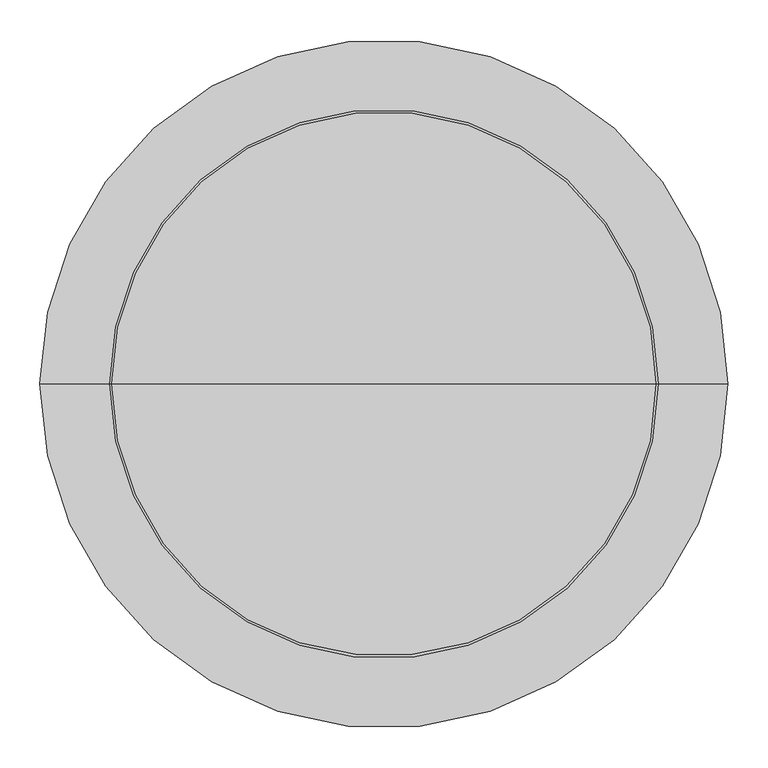
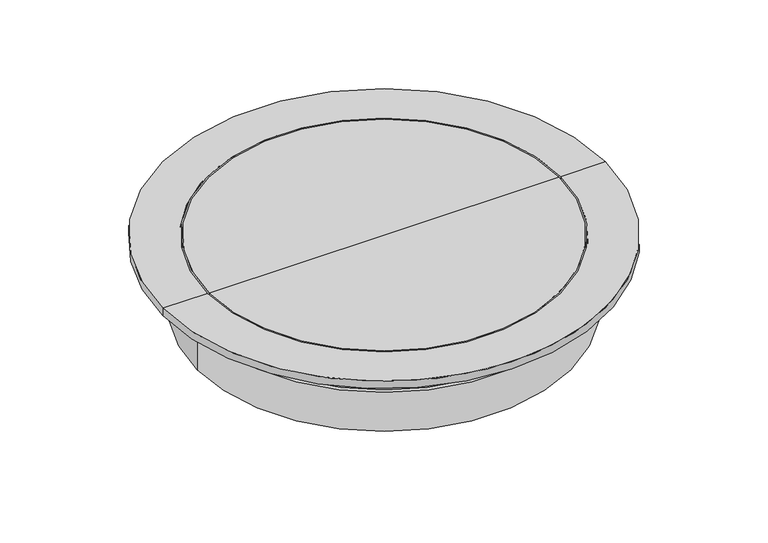
"""IFC4 building model written with IfcOpenShell, lengths in millimetres: sanitary terminal geometry."""

import ifcopenshell
import ifcopenshell.guid

model = None  # the IFC model being written
_history = None  # IfcOwnerHistory: only IFC2X3 demands one
_inside = {}  # id of a spatial element -> (the spatial element, [elements in it])
_under = {}  # id of a project, library or spatial element -> (it, [spatial elements below it])
_declared = {}  # id of a project -> (the project, [libraries it declares])
_typed = {}  # id of a type object -> (the type object, [elements of that type])
_made_of = {}  # id of a material, layer set ... -> (it, [elements and type objects made of it])


def new_model(schema):
    """Start an empty IFC model of exactly this schema.

    Asked for "IFC4X3", IfcOpenShell would pick the latest addendum, in which some entities
    have other attributes; the version numbers below select the first issue.
    IFC2X3 requires an IfcOwnerHistory on every rooted entity: one is made here for all.
    """
    global model, _history
    if schema == "IFC4X3":
        model = ifcopenshell.file(schema_version=(4, 3, 0, 0))
    else:
        model = ifcopenshell.file(schema=schema)
    _inside.clear()
    _under.clear()
    _declared.clear()
    _typed.clear()
    _made_of.clear()
    _history = None
    if model.schema == "IFC2X3":
        org = make("IfcOrganization", Name="unknown")
        user = make(
            "IfcPersonAndOrganization",
            ThePerson=make("IfcPerson", FamilyName="unknown"),
            TheOrganization=org,
        )
        app = make(
            "IfcApplication",
            ApplicationDeveloper=org,
            Version="unknown",
            ApplicationFullName="unknown",
            ApplicationIdentifier="unknown",
        )
        _history = make(
            "IfcOwnerHistory",
            OwningUser=user,
            OwningApplication=app,
            ChangeAction="ADDED",
            CreationDate=0,
        )
    return model


def make(cls, **values):
    """One entity of the class cls with the attributes given. An attribute that is None is left unset."""
    return model.create_entity(
        cls, **{name: value for name, value in values.items() if value is not None}
    )


def rooted(cls, **values):
    """An entity with a GlobalId (a new one), such as an element, a storey or a relation."""
    return make(cls, GlobalId=ifcopenshell.guid.new(), OwnerHistory=_history, **values)


def si_unit(unit_type, name, prefix=None):
    """IfcSIUnit, for example si_unit("LENGTHUNIT", "METRE", prefix="MILLI")."""
    return make("IfcSIUnit", UnitType=unit_type, Prefix=prefix, Name=name)


def assignment(units):
    """IfcUnitAssignment: the units of a project."""
    return None if units is None else make("IfcUnitAssignment", Units=units)


def point(xyz):
    """IfcCartesianPoint."""
    return None if xyz is None else make("IfcCartesianPoint", Coordinates=xyz)


def direction(xyz):
    """IfcDirection."""
    return None if xyz is None else make("IfcDirection", DirectionRatios=xyz)


def frame(location, z_axis=None, x_axis=None):
    """IfcAxis2Placement3D, a coordinate frame: its origin and axes. An axis left out is left unset."""
    return make(
        "IfcAxis2Placement3D",
        Location=point(location),
        Axis=direction(z_axis),
        RefDirection=direction(x_axis),
    )


def origin():
    """The frame at (0, 0, 0) with its axes left unset."""
    return frame((0.0, 0.0, 0.0))


def origin_with_axes():
    """The frame at (0, 0, 0) with the z axis (0, 0, 1) and the x axis (1, 0, 0) written out."""
    return frame((0.0, 0.0, 0.0), z_axis=(0.0, 0.0, 1.0), x_axis=(1.0, 0.0, 0.0))


def place(relative_to, where):
    """IfcLocalPlacement: puts the frame where relative to a parent placement (None: the world)."""
    return make(
        "IfcLocalPlacement", PlacementRelTo=relative_to, RelativePlacement=where
    )


def context(
    kind, dimensions, precision=None, world=None, true_north=None, identifier=None
):
    """IfcGeometricRepresentationContext, for example the 3D "Model" context."""
    return make(
        "IfcGeometricRepresentationContext",
        ContextIdentifier=identifier,
        ContextType=kind,
        CoordinateSpaceDimension=dimensions,
        Precision=precision,
        WorldCoordinateSystem=world,
        TrueNorth=true_north,
    )


def project(units=None, contexts=None):
    """IfcProject with its units and contexts."""
    return rooted(
        "IfcProject",
        Name="project",
        RepresentationContexts=contexts,
        UnitsInContext=assignment(units),
    )


def spatial(cls, under=None, at=None, **own):
    """A site, building, storey or space (cls), placed at a placement, below another one or the project."""
    s = rooted(cls, ObjectPlacement=at, **own)
    if under is not None:
        _under.setdefault(under.id(), (under, []))[1].append(s)
    return s


def polyline(points):
    """IfcPolyline through the points."""
    return make("IfcPolyline", Points=[point(p) for p in points])


def circle_curve(where, radius):
    """IfcCircle in the frame where."""
    return make("IfcCircle", Position=where, Radius=radius)


def shape(context_of_items, identifier, shape_type, items):
    """IfcShapeRepresentation: the items that make up one representation, for example the "Body"."""
    return make(
        "IfcShapeRepresentation",
        ContextOfItems=context_of_items,
        RepresentationIdentifier=identifier,
        RepresentationType=shape_type,
        Items=items,
    )


def source(mapping_origin, context_of_items, identifier, shape_type, items):
    """IfcRepresentationMap: a shape defined once, which mapped items show again and again."""
    return make(
        "IfcRepresentationMap",
        MappingOrigin=mapping_origin,
        MappedRepresentation=shape(context_of_items, identifier, shape_type, items),
    )


def transform(
    local_origin,
    x_axis=None,
    y_axis=None,
    z_axis=None,
    scale=None,
    scale2=None,
    scale3=None,
    uniform=True,
):
    """IfcCartesianTransformationOperator3D, or its non-uniform kind. x_axis, y_axis, z_axis: its Axis1, 2, 3."""
    if uniform:
        return make(
            "IfcCartesianTransformationOperator3D",
            Axis1=direction(x_axis),
            Axis2=direction(y_axis),
            LocalOrigin=point(local_origin),
            Scale=scale,
            Axis3=direction(z_axis),
        )
    return make(
        "IfcCartesianTransformationOperator3DnonUniform",
        Axis1=direction(x_axis),
        Axis2=direction(y_axis),
        LocalOrigin=point(local_origin),
        Scale=scale,
        Axis3=direction(z_axis),
        Scale2=scale2,
        Scale3=scale3,
    )


def mapped(mapping_source, mapping_target):
    """IfcMappedItem: shows the shape of a source again, moved by a transform."""
    return make(
        "IfcMappedItem", MappingSource=mapping_source, MappingTarget=mapping_target
    )


def made_of(thing, what):
    """Note that an element or type object is made of a material, layer set ...; save() writes the relation."""
    if what is not None:
        _made_of.setdefault(what.id(), (what, []))[1].append(thing)
    return thing


def element(
    cls,
    number,
    at=None,
    inside=None,
    cuts=None,
    type_object=None,
    material=None,
    context=None,
    identifier="Body",
    shape_type=None,
    held_by="IfcProductDefinitionShape",
    body=None,
    shapes=None,
    **own,
):
    """One element of the class cls, such as IfcWall. Its Tag is "e" and its number.

    at: its placement. inside: the storey or other place that contains it. cuts: it is an
    opening in that element (IfcRelVoidsElement). A single representation is given by context,
    identifier, shape_type and body (its items); several are given by shapes. held_by: the class
    of the entity that holds the representations. save() writes the other relations.
    """
    e = rooted(cls, Tag="e%d" % number, ObjectPlacement=at, **own)
    if body is not None:
        shapes = [shape(context, identifier, shape_type, body)]
    if shapes is not None:
        e.Representation = make(held_by, Representations=shapes)
    if inside is not None:
        _inside.setdefault(inside.id(), (inside, []))[1].append(e)
    if cuts is not None:
        rooted(
            "IfcRelVoidsElement", RelatingBuildingElement=cuts, RelatedOpeningElement=e
        )
    if type_object is not None:
        _typed.setdefault(type_object.id(), (type_object, []))[1].append(e)
    return made_of(e, material)


def aggregate(whole, parts):
    """IfcRelAggregates: a whole, such as a stair, and the parts it consists of."""
    return rooted("IfcRelAggregates", RelatingObject=whole, RelatedObjects=parts)


def save(model, path):
    """Write the relations noted so far, then the file.

    IfcRelAggregates (storeys below a building ...), IfcRelContainedInSpatialStructure (elements
    in a storey), IfcRelDefinesByType, IfcRelAssociatesMaterial and IfcRelDeclares: one each for
    every whole, place, type object, material and project.
    """
    for whole, parts in _under.values():
        aggregate(whole, parts)
    for where, things in _inside.values():
        rooted(
            "IfcRelContainedInSpatialStructure",
            RelatedElements=things,
            RelatingStructure=where,
        )
    for kind, things in _typed.values():
        rooted("IfcRelDefinesByType", RelatedObjects=things, RelatingType=kind)
    for what, things in _made_of.values():
        rooted("IfcRelAssociatesMaterial", RelatedObjects=things, RelatingMaterial=what)
    for by, libraries in _declared.values():
        rooted("IfcRelDeclares", RelatingContext=by, RelatedDefinitions=libraries)
    model.write(path)


def plane_surface(at):
    """IfcPlane: the flat surface through the origin of the frame at, square to its z axis."""
    return make("IfcPlane", Position=at)


def cylinder_surface(at, radius):
    """IfcCylindricalSurface: all points at the distance radius from the z axis of the frame at."""
    return make("IfcCylindricalSurface", Position=at, Radius=radius)


def revolved_surface(curve, axis_point, axis_direction):
    """IfcSurfaceOfRevolution: the curve turned about the line through axis_point along axis_direction."""
    return make(
        "IfcSurfaceOfRevolution",
        SweptCurve=make("IfcArbitraryOpenProfileDef", ProfileType="CURVE", Curve=curve),
        AxisPosition=make("IfcAxis1Placement", Location=point(axis_point), Axis=direction(axis_direction)),
    )


def advanced_brep(points, edges, surfaces, faces):
    """IfcAdvancedBrep: a solid bounded by faces that lie on surfaces and meet in shared edges.

    An edge is (start, end): straight between two places in points (the first is 0);
    or (start, end, curve); or (start, end, curve, False) where it runs against its curve.
    A face is (place in surfaces, loops), or (place, loops, False) where it looks against
    its surface's normal. A loop lists edges by number (the first is 1), with a minus sign
    where the edge is run from its end to its start. The first loop is the outer one.
    """
    corners = [point(p) for p in points]
    vertices = [make("IfcVertexPoint", VertexGeometry=c) for c in corners]
    made = []
    for start, end, *more in edges:
        made.append(
            make(
                "IfcEdgeCurve",
                EdgeStart=vertices[start],
                EdgeEnd=vertices[end],
                EdgeGeometry=more[0] if more else make("IfcPolyline", Points=[corners[start], corners[end]]),
                SameSense=more[1] if len(more) > 1 else True,
            )
        )
    hull = []
    for where, loops, *sense in faces:
        bounds = []
        for j, loop in enumerate(loops):
            ring = [make("IfcOrientedEdge", EdgeElement=made[abs(k) - 1], Orientation=k > 0) for k in loop]
            bounds.append(
                make(
                    "IfcFaceOuterBound" if j == 0 else "IfcFaceBound",
                    Bound=make("IfcEdgeLoop", EdgeList=ring),
                    Orientation=True,
                )
            )
        hull.append(make("IfcAdvancedFace", Bounds=bounds, FaceSurface=surfaces[where], SameSense=sense[0] if sense else True))
    return make("IfcAdvancedBrep", Outer=make("IfcClosedShell", CfsFaces=hull))


def sanitary_terminal_45d726e5(model_context):
    return source(origin(), model_context, "Body", "AdvancedBrep", [
        advanced_brep(
        [(363.0, 0.0, -70.0), (-363.0, 0.0, -70.0), (-355.0, 0.0, -70.0), (355.0, 0.0, -70.0), (363.0, 0.0, -150.0), (-363.0, 0.0, -150.0), (355.0, 0.0, -150.0), (-355.0, 0.0, -150.0)],
        [
            (0, 1, circle_curve(frame((0.0, 0.0, -70.0), z_axis=(0.0, 0.0, 1.0), x_axis=(-1.0, 0.0, 0.0)), 363.0)),
            (1, 2),
            (2, 3, circle_curve(frame((0.0, 0.0, -70.0), z_axis=(0.0, 0.0, -1.0), x_axis=(-1.0, 0.0, 0.0)), 355.0)),
            (3, 0),
            (1, 0, circle_curve(frame((0.0, 0.0, -70.0), z_axis=(0.0, 0.0, 1.0), x_axis=(-1.0, 0.0, 0.0)), 363.0)),
            (3, 2, circle_curve(frame((0.0, 0.0, -70.0), z_axis=(0.0, 0.0, -1.0), x_axis=(-1.0, 0.0, 0.0)), 355.0)),
            (4, 5, circle_curve(frame((0.0, 0.0, -150.0), z_axis=(0.0, 0.0, 1.0), x_axis=(-1.0, 0.0, 0.0)), 363.0)),
            (5, 1),
            (0, 4),
            (5, 4, circle_curve(frame((0.0, 0.0, -150.0), z_axis=(0.0, 0.0, 1.0), x_axis=(-1.0, 0.0, 0.0)), 363.0)),
            (6, 7, circle_curve(frame((0.0, 0.0, -150.0), z_axis=(0.0, 0.0, 1.0), x_axis=(-1.0, 0.0, 0.0)), 355.0)),
            (7, 5),
            (4, 6),
            (7, 6, circle_curve(frame((0.0, 0.0, -150.0), z_axis=(0.0, 0.0, 1.0), x_axis=(-1.0, 0.0, 0.0)), 355.0)),
            (2, 7),
            (6, 3),
        ],
        [
            plane_surface(frame((0.0, 0.0, -70.0), z_axis=(0.0, 0.0, 1.0), x_axis=(-1.0, 0.0, 0.0))),
            cylinder_surface(frame((0.0, 0.0, 150.5258156), z_axis=(0.0, 0.0, -1.0), x_axis=(-1.0, 0.0, 0.0)), 363.0),
            plane_surface(frame((0.0, 0.0, -150.0), z_axis=(0.0, 0.0, -1.0), x_axis=(-1.0, 0.0, 0.0))),
            revolved_surface(polyline([(-355.0, 0.0, -150.0), (-355.0, 0.0, -70.0)]), (0.0, 0.0, 150.5258156), (0.0, 0.0, -1.0)),
        ],
        [
            (0, [[1, 2, 3, 4]]),
            (0, [[5, -4, 6, -2]]),
            (1, [[7, 8, -1, 9]]),
            (1, [[10, -9, -5, -8]]),
            (2, [[11, 12, -7, 13]]),
            (2, [[14, -13, -10, -12]]),
            (3, [[-3, 15, -11, 16]]),
            (3, [[-6, -16, -14, -15]]),
        ],
    ),
        advanced_brep(
        [(-430.0, 0.0, 0.0), (430.0, 0.0, 0.0), (430.0, 0.0, -15.0), (-430.0, 0.0, -15.0), (-343.4280406, 0.0, 0.0), (343.4280406, 0.0, 0.0), (-343.4280406, 0.0, -50.0), (343.4280406, 0.0, -50.0), (-302.5, 0.0, -50.0), (302.5, 0.0, -50.0), (-302.5, 0.0, -65.0), (302.5, 0.0, -65.0), (-337.5, 0.0, -65.0), (337.5, 0.0, -65.0), (-337.5, 0.0, -140.0), (337.5, 0.0, -140.0), (-347.5, 0.0, -140.0), (347.5, 0.0, -140.0), (-347.5, 0.0, -65.0), (347.5, 0.0, -65.0), (-353.4280406, 0.0, -60.1624967), (353.4280406, 0.0, -60.1624967), (-353.4280406, 0.0, -15.0), (353.4280406, 0.0, -15.0)],
        [
            (0, 1, circle_curve(frame((0.0, 0.0, 0.0), z_axis=(0.0, 0.0, -1.0), x_axis=(1.0, 0.0, 0.0)), 430.0)),
            (1, 2),
            (2, 3, circle_curve(frame((0.0, 0.0, -15.0), z_axis=(0.0, 0.0, 1.0), x_axis=(1.0, 0.0, 0.0)), 430.0)),
            (3, 0),
            (1, 0, circle_curve(frame((0.0, 0.0, 0.0), z_axis=(0.0, 0.0, -1.0), x_axis=(1.0, 0.0, 0.0)), 430.0)),
            (3, 2, circle_curve(frame((0.0, 0.0, -15.0), z_axis=(0.0, 0.0, 1.0), x_axis=(1.0, 0.0, 0.0)), 430.0)),
            (4, 5, circle_curve(frame((0.0, 0.0, 0.0), z_axis=(0.0, 0.0, -1.0), x_axis=(1.0, 0.0, 0.0)), 343.4280406)),
            (5, 1),
            (0, 4),
            (5, 4, circle_curve(frame((0.0, 0.0, 0.0), z_axis=(0.0, 0.0, -1.0), x_axis=(1.0, 0.0, 0.0)), 343.4280406)),
            (6, 7, circle_curve(frame((0.0, 0.0, -50.0), z_axis=(0.0, 0.0, -1.0), x_axis=(1.0, 0.0, 0.0)), 343.4280406)),
            (7, 5),
            (4, 6),
            (7, 6, circle_curve(frame((0.0, 0.0, -50.0), z_axis=(0.0, 0.0, -1.0), x_axis=(1.0, 0.0, 0.0)), 343.4280406)),
            (8, 9, circle_curve(frame((0.0, 0.0, -50.0), z_axis=(0.0, 0.0, -1.0), x_axis=(1.0, 0.0, 0.0)), 302.5)),
            (9, 7),
            (6, 8),
            (9, 8, circle_curve(frame((0.0, 0.0, -50.0), z_axis=(0.0, 0.0, -1.0), x_axis=(1.0, 0.0, 0.0)), 302.5)),
            (10, 11, circle_curve(frame((0.0, 0.0, -65.0), z_axis=(0.0, 0.0, -1.0), x_axis=(1.0, 0.0, 0.0)), 302.5)),
            (11, 9),
            (8, 10),
            (11, 10, circle_curve(frame((0.0, 0.0, -65.0), z_axis=(0.0, 0.0, -1.0), x_axis=(1.0, 0.0, 0.0)), 302.5)),
            (12, 13, circle_curve(frame((0.0, 0.0, -65.0), z_axis=(0.0, 0.0, -1.0), x_axis=(1.0, 0.0, 0.0)), 337.5)),
            (13, 11),
            (10, 12),
            (13, 12, circle_curve(frame((0.0, 0.0, -65.0), z_axis=(0.0, 0.0, -1.0), x_axis=(1.0, 0.0, 0.0)), 337.5)),
            (14, 15, circle_curve(frame((0.0, 0.0, -140.0), z_axis=(0.0, 0.0, -1.0), x_axis=(1.0, 0.0, 0.0)), 337.5)),
            (15, 13),
            (12, 14),
            (15, 14, circle_curve(frame((0.0, 0.0, -140.0), z_axis=(0.0, 0.0, -1.0), x_axis=(1.0, 0.0, 0.0)), 337.5)),
            (16, 17, circle_curve(frame((0.0, 0.0, -140.0), z_axis=(0.0, 0.0, -1.0), x_axis=(1.0, 0.0, 0.0)), 347.5)),
            (17, 15),
            (14, 16),
            (17, 16, circle_curve(frame((0.0, 0.0, -140.0), z_axis=(0.0, 0.0, -1.0), x_axis=(1.0, 0.0, 0.0)), 347.5)),
            (18, 19, circle_curve(frame((0.0, 0.0, -65.0), z_axis=(0.0, 0.0, -1.0), x_axis=(1.0, 0.0, 0.0)), 347.5)),
            (19, 17),
            (16, 18),
            (19, 18, circle_curve(frame((0.0, 0.0, -65.0), z_axis=(0.0, 0.0, -1.0), x_axis=(1.0, 0.0, 0.0)), 347.5)),
            (20, 21, circle_curve(frame((0.0, 0.0, -60.1624967), z_axis=(0.0, 0.0, -1.0), x_axis=(1.0, 0.0, 0.0)), 353.4280406)),
            (21, 19),
            (18, 20),
            (21, 20, circle_curve(frame((0.0, 0.0, -60.1624967), z_axis=(0.0, 0.0, -1.0), x_axis=(1.0, 0.0, 0.0)), 353.4280406)),
            (22, 23, circle_curve(frame((0.0, 0.0, -15.0), z_axis=(0.0, 0.0, -1.0), x_axis=(1.0, 0.0, 0.0)), 353.4280406)),
            (23, 21),
            (20, 22),
            (23, 22, circle_curve(frame((0.0, 0.0, -15.0), z_axis=(0.0, 0.0, -1.0), x_axis=(1.0, 0.0, 0.0)), 353.4280406)),
            (2, 23),
            (22, 3),
        ],
        [
            cylinder_surface(frame((0.0, 0.0, 220.5258156), z_axis=(0.0, 0.0, 1.0), x_axis=(1.0, 0.0, 0.0)), 430.0),
            plane_surface(origin_with_axes()),
            revolved_surface(polyline([(343.4280406, 0.0, 0.0), (343.4280406, 0.0, -50.0)]), (0.0, 0.0, 220.5258156), (0.0, 0.0, 1.0)),
            plane_surface(frame((0.0, 0.0, -50.0), z_axis=(0.0, 0.0, 1.0), x_axis=(1.0, 0.0, 0.0))),
            revolved_surface(polyline([(302.5, 0.0, -50.0), (302.5, 0.0, -65.0)]), (0.0, 0.0, 220.5258156), (0.0, 0.0, 1.0)),
            plane_surface(frame((0.0, 0.0, -65.0), z_axis=(0.0, 0.0, -1.0), x_axis=(1.0, 0.0, 0.0))),
            revolved_surface(polyline([(337.5, 0.0, -65.0), (337.5, 0.0, -140.0)]), (0.0, 0.0, 220.5258156), (0.0, 0.0, 1.0)),
            plane_surface(frame((0.0, 0.0, -140.0), z_axis=(0.0, 0.0, -1.0), x_axis=(1.0, 0.0, 0.0))),
            cylinder_surface(frame((0.0, 0.0, 220.5258156), z_axis=(0.0, 0.0, 1.0), x_axis=(1.0, 0.0, 0.0)), 347.5),
            revolved_surface(polyline([(347.5, 0.0, -65.0), (353.4280406, 0.0, -60.1624967)]), (0.0, 0.0, 220.5258156), (0.0, 0.0, 1.0)),
            cylinder_surface(frame((0.0, 0.0, 220.5258156), z_axis=(0.0, 0.0, 1.0), x_axis=(1.0, 0.0, 0.0)), 353.4280406),
            plane_surface(frame((0.0, 0.0, -15.0), z_axis=(0.0, 0.0, -1.0), x_axis=(1.0, 0.0, 0.0))),
        ],
        [
            (0, [[1, 2, 3, 4]]),
            (0, [[5, -4, 6, -2]]),
            (1, [[7, 8, -1, 9]]),
            (1, [[10, -9, -5, -8]]),
            (2, [[11, 12, -7, 13]]),
            (2, [[14, -13, -10, -12]]),
            (3, [[15, 16, -11, 17]]),
            (3, [[18, -17, -14, -16]]),
            (4, [[19, 20, -15, 21]]),
            (4, [[22, -21, -18, -20]]),
            (5, [[23, 24, -19, 25]]),
            (5, [[26, -25, -22, -24]]),
            (6, [[27, 28, -23, 29]]),
            (6, [[30, -29, -26, -28]]),
            (7, [[31, 32, -27, 33]]),
            (7, [[34, -33, -30, -32]]),
            (8, [[35, 36, -31, 37]]),
            (8, [[38, -37, -34, -36]]),
            (9, [[39, 40, -35, 41]]),
            (9, [[42, -41, -38, -40]]),
            (10, [[43, 44, -39, 45]]),
            (10, [[46, -45, -42, -44]]),
            (11, [[-3, 47, -43, 48]]),
            (11, [[-6, -48, -46, -47]]),
        ],
    ),
        advanced_brep(
        [(340.0, 0.0, 0.0), (-340.0, 0.0, 0.0), (0.0, 0.0, 0.0), (340.0, 0.0, -50.0), (-340.0, 0.0, -50.0), (0.0, 0.0, -50.0)],
        [
            (0, 1, circle_curve(frame((0.0, 0.0, 0.0), z_axis=(0.0, 0.0, 1.0), x_axis=(-1.0, 0.0, 0.0)), 340.0)),
            (1, 2),
            (2, 0),
            (1, 0, circle_curve(frame((0.0, 0.0, 0.0), z_axis=(0.0, 0.0, 1.0), x_axis=(-1.0, 0.0, 0.0)), 340.0)),
            (3, 4, circle_curve(frame((0.0, 0.0, -50.0), z_axis=(0.0, 0.0, 1.0), x_axis=(-1.0, 0.0, 0.0)), 340.0)),
            (4, 1),
            (0, 3),
            (4, 3, circle_curve(frame((0.0, 0.0, -50.0), z_axis=(0.0, 0.0, 1.0), x_axis=(-1.0, 0.0, 0.0)), 340.0)),
            (5, 4),
            (3, 5),
        ],
        [
            plane_surface(frame((0.0, 0.0, 0.0), z_axis=(0.0, 0.0, 1.0), x_axis=(-1.0, 0.0, 0.0))),
            cylinder_surface(frame((0.0, 0.0, 860.0445378), z_axis=(0.0, 0.0, -1.0), x_axis=(-1.0, 0.0, 0.0)), 340.0),
            plane_surface(frame((0.0, 0.0, -50.0), z_axis=(0.0, 0.0, -1.0), x_axis=(-1.0, 0.0, 0.0))),
        ],
        [
            (0, [[1, 2, 3]]),
            (0, [[4, -3, -2]]),
            (1, [[5, 6, -1, 7]]),
            (1, [[8, -7, -4, -6]]),
            (2, [[9, -5, 10]]),
            (2, [[-10, -8, -9]]),
        ],
    ),
    ])


if __name__ == "__main__":
    model = new_model("IFC4")
    model_context = context("Model", 3, world=origin())
    ifc_project = project(units=[si_unit("LENGTHUNIT", "METRE", prefix="MILLI")], contexts=[model_context])
    site = spatial("IfcSite", under=ifc_project)
    building = spatial("IfcBuilding", under=site)
    placement = place(None, origin())
    sanitary_terminal_shape = sanitary_terminal_45d726e5(model_context)
    element("IfcSanitaryTerminal", 1, at=placement, inside=building, context=model_context, shape_type="MappedRepresentation", body=[
        mapped(sanitary_terminal_shape, transform((0.0, 0.0, 0.0), x_axis=(1.0, 0.0, 0.0), y_axis=(0.0, 1.0, 0.0), z_axis=(0.0, 0.0, 1.0))),
    ])
    save(model, "model.ifc")
